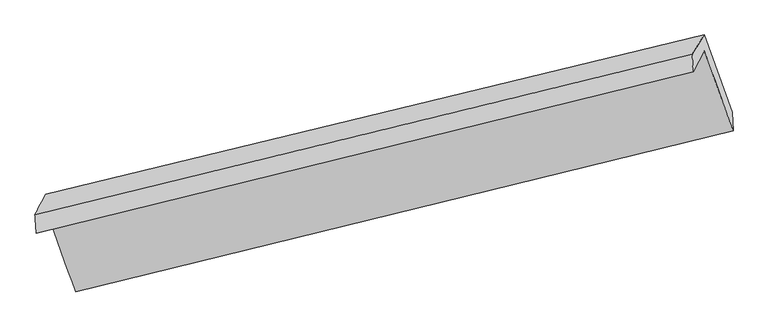
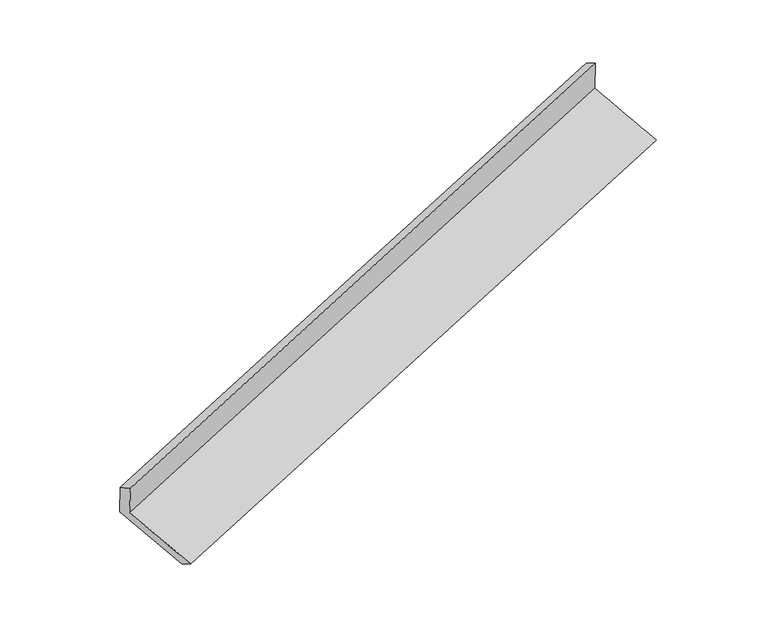
"""IFC4 building model written with IfcOpenShell, lengths in millimetres: proxy geometry."""

from ifc_helpers import new_model, si_unit, frame, origin, place, context, project, spatial, source, transform, mapped, element, save
from ifc_brep_helpers import plane_surface, spline_surface, advanced_brep


def generic_models_a17b4afb(model_context):
    return source(origin(), model_context, "Body", "AdvancedBrep", [
        advanced_brep(
        [(-5348.3758507, -1924.8059864, 1110.1489162), (-5135.4265116, -2514.454613, 903.5429079), (-239.8862284, -1316.4902563, 2510.4257795), (-454.8947725, -720.0753056, 2719.4901183), (-5429.2209858, -2078.4722826, 1465.3815786), (-537.6401498, -877.353485, 3083.072425), (-5438.6634996, -1939.7245491, 1391.9845179), (-544.3095884, -746.5068834, 3007.3252936), (-5358.1437792, -1786.6767843, 1038.1817237), (-456.3217125, -602.1283406, 2637.4431193), (-5142.2785474, -2384.3994067, 828.7466813), (-247.0695363, -1177.5553174, 2430.3013701)],
        [
            (0, 1),
            (1, 2),
            (2, 3),
            (3, 0),
            (4, 0),
            (3, 5),
            (5, 4),
            (6, 4),
            (5, 7),
            (7, 6),
            (8, 6),
            (7, 9),
            (9, 8),
            (10, 8),
            (9, 11),
            (11, 10),
            (1, 10),
            (11, 2),
        ],
        [
            spline_surface(1, 1, [[(-5348.3758507, -1924.8059864, 1110.1489162), (-454.8947725, -720.0753056, 2719.4901183)], [(-5135.4265116, -2514.454613, 903.5429079), (-239.8862284, -1316.4902563, 2510.4257795)]], [2, 2], [2, 2], [0.0, 1.0], [0.0, 1.0]),
            plane_surface(frame((-5388.7984182, -2001.6391345, 1287.7652474), z_axis=(0.3228191811927217, -0.8932330293960591, -0.3129257602850871), x_axis=(0.2044652539726605, 0.38863709317568723, -0.8984181485955455))),
            spline_surface(1, 1, [[(-5438.6634996, -1939.7245491, 1391.9845179), (-544.3095884, -746.5068834, 3007.3252936)], [(-5429.2209858, -2078.4722826, 1465.3815786), (-537.6401498, -877.353485, 3083.072425)]], [2, 2], [2, 2], [0.0, 1.0], [0.0, 1.0]),
            spline_surface(1, 1, [[(-5358.1437792, -1786.6767843, 1038.1817237), (-456.3217125, -602.1283406, 2637.4431193)], [(-5438.6634996, -1939.7245491, 1391.9845179), (-544.3095884, -746.5068834, 3007.3252936)]], [2, 2], [2, 2], [0.0, 1.0], [0.0, 1.0]),
            spline_surface(1, 1, [[(-5142.2785474, -2384.3994067, 828.7466813), (-247.0695363, -1177.5553174, 2430.3013701)], [(-5358.1437792, -1786.6767843, 1038.1817237), (-456.3217125, -602.1283406, 2637.4431193)]], [2, 2], [2, 2], [0.0, 1.0], [0.0, 1.0]),
            spline_surface(1, 1, [[(-5135.4265116, -2514.454613, 903.5429079), (-239.8862284, -1316.4902563, 2510.4257795)], [(-5142.2785474, -2384.3994067, 828.7466813), (-247.0695363, -1177.5553174, 2430.3013701)]], [2, 2], [2, 2], [0.0, 1.0], [0.0, 1.0]),
            plane_surface(frame((-413.3536647, -906.6849314, 2731.3430177), z_axis=(0.9243701673121325, 0.2253270515785794, 0.3078433264019943), x_axis=(-0.21634919035778744, -0.3550055107770088, 0.9094856321841952))),
            plane_surface(frame((-5308.6848624, -2104.7556037, 1122.9977209), z_axis=(-0.9241856034779505, -0.22583855831469352, -0.3080225899222935), x_axis=(-0.3226064634224227, 0.8932850359130922, 0.31299666830786355))),
        ],
        [
            (0, [[1, 2, 3, 4]]),
            (1, [[5, -4, 6, 7]]),
            (2, [[8, -7, 9, 10]]),
            (3, [[11, -10, 12, 13]]),
            (4, [[14, -13, 15, 16]]),
            (5, [[17, -16, 18, -2]]),
            (6, [[-12, -9, -6, -3, -18, -15]]),
            (7, [[-1, -5, -8, -11, -14, -17]]),
        ],
    ),
    ])


if __name__ == "__main__":
    model = new_model("IFC4")
    model_context = context("Model", 3, world=origin())
    ifc_project = project(units=[si_unit("LENGTHUNIT", "METRE", prefix="MILLI")], contexts=[model_context])
    site = spatial("IfcSite", under=ifc_project)
    building = spatial("IfcBuilding", under=site)
    placement = place(None, origin())
    generic_models_shape = generic_models_a17b4afb(model_context)
    element("IfcBuildingElementProxy", 1, Name="Generic Models", at=placement, inside=building, context=model_context, shape_type="MappedRepresentation", body=[
        mapped(generic_models_shape, transform((0.0, 0.0, 0.0), x_axis=(1.0, 0.0, 0.0), y_axis=(0.0, 1.0, 0.0), z_axis=(0.0, 0.0, 1.0))),
    ])
    save(model, "model.ifc")
